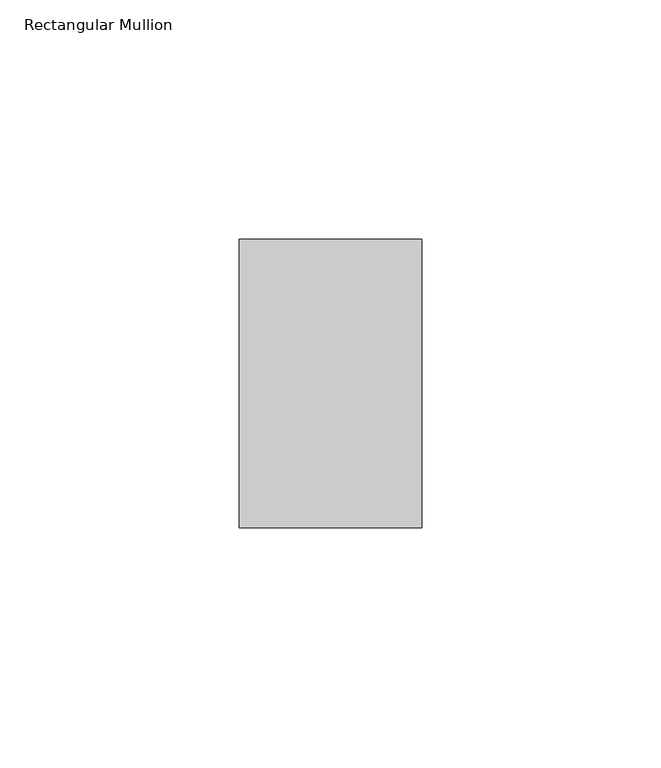
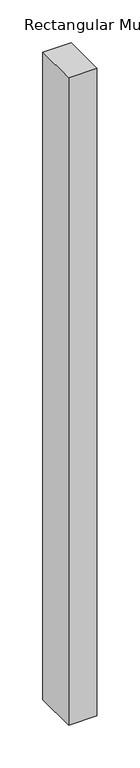
"""IFC4 building model written with IfcOpenShell, lengths in millimetres: member geometry, Rectangular Mullion."""

from ifc_helpers import new_model, si_unit, frame, origin, place, context, project, spatial, polyline, outline, extrude, source, transform, mapped, element, save


def rectangular_mullion_86480d1e(model_context):
    return source(origin(), model_context, "Body", "SweptSolid", [
        extrude(outline(polyline([(-38.1, -50.8), (-38.1, 9.525), (0.0, 9.525), (0.0, -50.8), (-38.1, -50.8)])), frame((0.0, 0.0, -923.925), z_axis=(0.0, 0.0, 1.0), x_axis=(1.0, 0.0, 0.0)), (0.0, 0.0, 1.0), 923.925),
    ])


if __name__ == "__main__":
    model = new_model("IFC4")
    model_context = context("Model", 3, world=origin())
    ifc_project = project(units=[si_unit("LENGTHUNIT", "METRE", prefix="MILLI")], contexts=[model_context])
    site = spatial("IfcSite", under=ifc_project)
    building = spatial("IfcBuilding", under=site)
    placement = place(None, origin())
    rectangular_mullion_shape = rectangular_mullion_86480d1e(model_context)
    element("IfcMember", 1, ObjectType="Rectangular Mullion", at=placement, inside=building, context=model_context, shape_type="MappedRepresentation", body=[
        mapped(rectangular_mullion_shape, transform((0.0, 0.0, 0.0), x_axis=(1.0, 0.0, 0.0), y_axis=(0.0, 1.0, 0.0), z_axis=(0.0, 0.0, 1.0))),
    ])
    save(model, "model.ifc")
